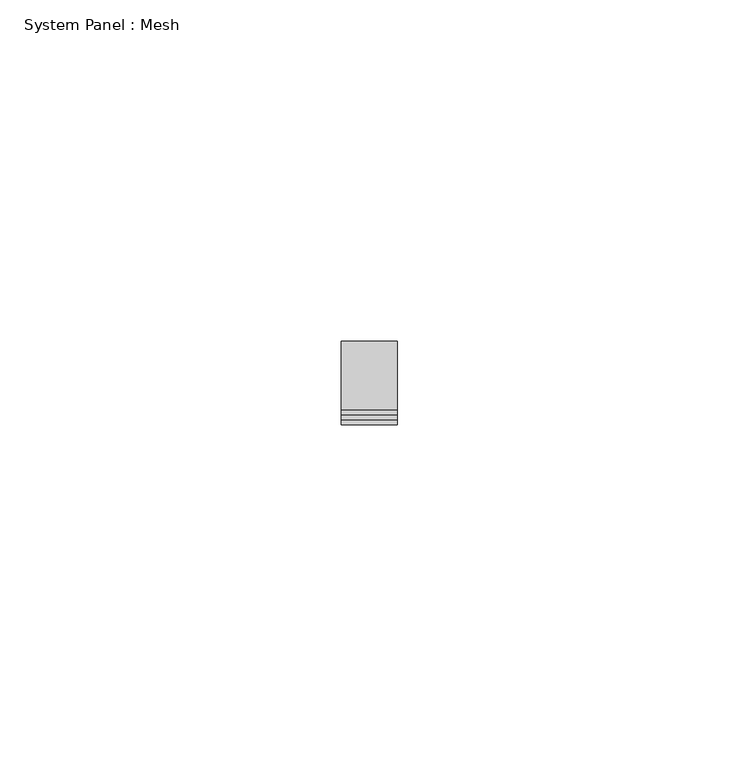
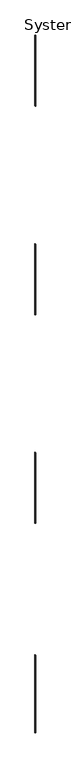
"""IFC4 building model written with IfcOpenShell, lengths in millimetres: plate geometry, System Panel : Mesh."""

from ifc_helpers import new_model, si_unit, frame, origin, place, context, project, spatial, polyline, outline, extrude, source, transform, mapped, element, save


def system_panel_mesh_6db822ae(model_context):
    return source(origin(), model_context, "Body", "SweptSolid", [
        extrude(outline(polyline([(4.5927291, -4.113044), (0.0, 4.113044), (1603.4205689, 4.113044), (1608.013298, -4.113044), (4.5927291, -4.113044)])), frame((0.0, -5.0, 0.0), z_axis=(0.0, 1.0, 0.0), x_axis=(0.0, 0.0, 1.0)), (0.0, 0.0, 1.0), 10.0),
        extrude(outline(polyline([(12927.9110439, -4.113044), (12923.3362775, 4.113044), (14385.2688045, 4.113044), (14389.8435709, -4.113044), (12927.9110439, -4.113044)])), frame((0.0, -5.0, 0.0), z_axis=(0.0, 1.0, 0.0), x_axis=(0.0, 0.0, 1.0)), (0.0, 0.0, 1.0), 10.0),
        extrude(outline(polyline([(4325.8365171, -4.113044), (4321.272365, 4.113044), (5782.3276882, 4.113044), (5786.8918403, -4.113044), (4325.8365171, -4.113044)])), frame((0.0, -5.0, 0.0), z_axis=(0.0, 1.0, 0.0), x_axis=(0.0, 0.0, 1.0)), (0.0, 0.0, 1.0), 10.0),
        extrude(outline(polyline([(8625.8365171, -4.113044), (8621.272365, 4.113044), (10082.3276882, 4.113044), (10086.8918403, -4.113044), (8625.8365171, -4.113044)])), frame((0.0, -5.0, 0.0), z_axis=(0.0, 1.0, 0.0), x_axis=(0.0, 0.0, 1.0)), (0.0, 0.0, 1.0), 10.0),
    ])


if __name__ == "__main__":
    model = new_model("IFC4")
    model_context = context("Model", 3, world=origin())
    ifc_project = project(units=[si_unit("LENGTHUNIT", "METRE", prefix="MILLI")], contexts=[model_context])
    site = spatial("IfcSite", under=ifc_project)
    building = spatial("IfcBuilding", under=site)
    placement = place(None, origin())
    system_panel_mesh_shape = system_panel_mesh_6db822ae(model_context)
    element("IfcPlate", 1, ObjectType="System Panel : Mesh", at=placement, inside=building, context=model_context, shape_type="MappedRepresentation", body=[
        mapped(system_panel_mesh_shape, transform((0.0, 0.0, 0.0), x_axis=(1.0, 0.0, 0.0), y_axis=(0.0, 1.0, 0.0), z_axis=(0.0, 0.0, 1.0))),
    ])
    save(model, "model.ifc")
